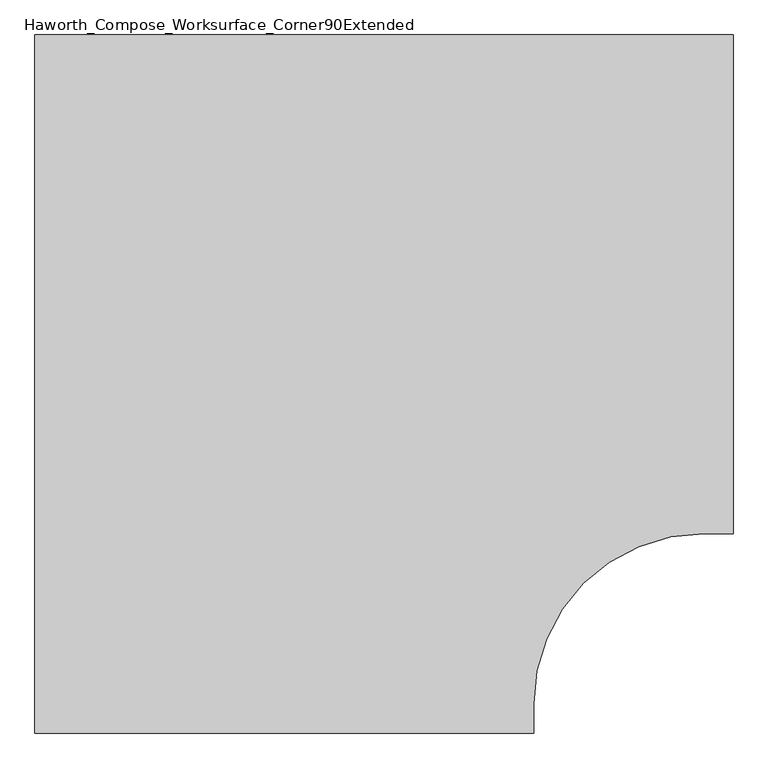
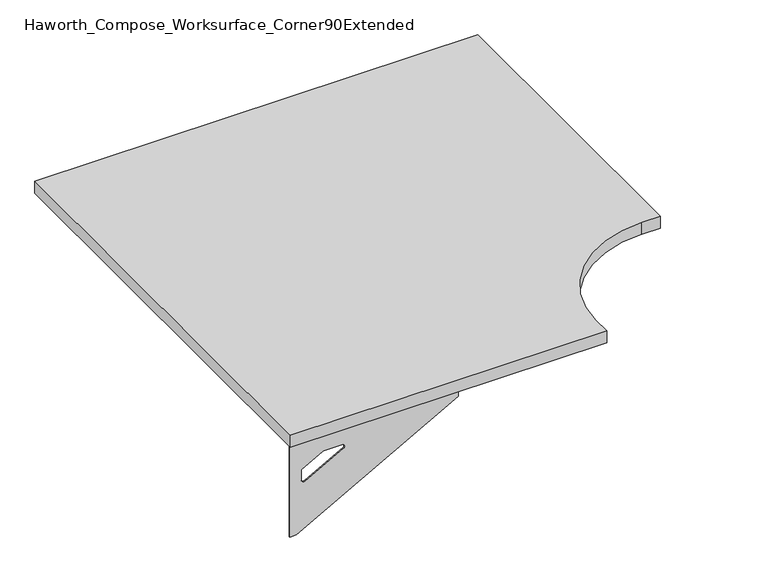
"""IFC4 building model written with IfcOpenShell, lengths in millimetres: furniture geometry, Haworth_Compose_Worksurface_Corner90Extended."""

import ifcopenshell
import ifcopenshell.guid

model = None  # the IFC model being written
_history = None  # IfcOwnerHistory: only IFC2X3 demands one
_inside = {}  # id of a spatial element -> (the spatial element, [elements in it])
_under = {}  # id of a project, library or spatial element -> (it, [spatial elements below it])
_declared = {}  # id of a project -> (the project, [libraries it declares])
_typed = {}  # id of a type object -> (the type object, [elements of that type])
_made_of = {}  # id of a material, layer set ... -> (it, [elements and type objects made of it])


def new_model(schema):
    """Start an empty IFC model of exactly this schema.

    Asked for "IFC4X3", IfcOpenShell would pick the latest addendum, in which some entities
    have other attributes; the version numbers below select the first issue.
    IFC2X3 requires an IfcOwnerHistory on every rooted entity: one is made here for all.
    """
    global model, _history
    if schema == "IFC4X3":
        model = ifcopenshell.file(schema_version=(4, 3, 0, 0))
    else:
        model = ifcopenshell.file(schema=schema)
    _inside.clear()
    _under.clear()
    _declared.clear()
    _typed.clear()
    _made_of.clear()
    _history = None
    if model.schema == "IFC2X3":
        org = make("IfcOrganization", Name="unknown")
        user = make(
            "IfcPersonAndOrganization",
            ThePerson=make("IfcPerson", FamilyName="unknown"),
            TheOrganization=org,
        )
        app = make(
            "IfcApplication",
            ApplicationDeveloper=org,
            Version="unknown",
            ApplicationFullName="unknown",
            ApplicationIdentifier="unknown",
        )
        _history = make(
            "IfcOwnerHistory",
            OwningUser=user,
            OwningApplication=app,
            ChangeAction="ADDED",
            CreationDate=0,
        )
    return model


def make(cls, **values):
    """One entity of the class cls with the attributes given. An attribute that is None is left unset."""
    return model.create_entity(
        cls, **{name: value for name, value in values.items() if value is not None}
    )


def rooted(cls, **values):
    """An entity with a GlobalId (a new one), such as an element, a storey or a relation."""
    return make(cls, GlobalId=ifcopenshell.guid.new(), OwnerHistory=_history, **values)


def si_unit(unit_type, name, prefix=None):
    """IfcSIUnit, for example si_unit("LENGTHUNIT", "METRE", prefix="MILLI")."""
    return make("IfcSIUnit", UnitType=unit_type, Prefix=prefix, Name=name)


def assignment(units):
    """IfcUnitAssignment: the units of a project."""
    return None if units is None else make("IfcUnitAssignment", Units=units)


def point(xyz):
    """IfcCartesianPoint."""
    return None if xyz is None else make("IfcCartesianPoint", Coordinates=xyz)


def direction(xyz):
    """IfcDirection."""
    return None if xyz is None else make("IfcDirection", DirectionRatios=xyz)


def frame(location, z_axis=None, x_axis=None):
    """IfcAxis2Placement3D, a coordinate frame: its origin and axes. An axis left out is left unset."""
    return make(
        "IfcAxis2Placement3D",
        Location=point(location),
        Axis=direction(z_axis),
        RefDirection=direction(x_axis),
    )


def frame_2d(location, x_axis=None):
    """IfcAxis2Placement2D, a coordinate frame in the plane: its origin and x axis."""
    return make(
        "IfcAxis2Placement2D", Location=point(location), RefDirection=direction(x_axis)
    )


def origin():
    """The frame at (0, 0, 0) with its axes left unset."""
    return frame((0.0, 0.0, 0.0))


def place(relative_to, where):
    """IfcLocalPlacement: puts the frame where relative to a parent placement (None: the world)."""
    return make(
        "IfcLocalPlacement", PlacementRelTo=relative_to, RelativePlacement=where
    )


def context(
    kind, dimensions, precision=None, world=None, true_north=None, identifier=None
):
    """IfcGeometricRepresentationContext, for example the 3D "Model" context."""
    return make(
        "IfcGeometricRepresentationContext",
        ContextIdentifier=identifier,
        ContextType=kind,
        CoordinateSpaceDimension=dimensions,
        Precision=precision,
        WorldCoordinateSystem=world,
        TrueNorth=true_north,
    )


def project(units=None, contexts=None):
    """IfcProject with its units and contexts."""
    return rooted(
        "IfcProject",
        Name="project",
        RepresentationContexts=contexts,
        UnitsInContext=assignment(units),
    )


def spatial(cls, under=None, at=None, **own):
    """A site, building, storey or space (cls), placed at a placement, below another one or the project."""
    s = rooted(cls, ObjectPlacement=at, **own)
    if under is not None:
        _under.setdefault(under.id(), (under, []))[1].append(s)
    return s


def polyline(points):
    """IfcPolyline through the points."""
    return make("IfcPolyline", Points=[point(p) for p in points])


def circle_curve(where, radius):
    """IfcCircle in the frame where."""
    return make("IfcCircle", Position=where, Radius=radius)


def trimmed(basis, trim1, trim2, sense, master):
    """IfcTrimmedCurve: the piece of a basis curve between two trims."""
    return make(
        "IfcTrimmedCurve",
        BasisCurve=basis,
        Trim1=trim1,
        Trim2=trim2,
        SenseAgreement=sense,
        MasterRepresentation=master,
    )


def segment(curve, same_sense, transition):
    """IfcCompositeCurveSegment."""
    return make(
        "IfcCompositeCurveSegment",
        Transition=transition,
        SameSense=same_sense,
        ParentCurve=curve,
    )


def composite_curve(segments, self_intersect=None):
    """IfcCompositeCurve: segments joined end to end."""
    return make("IfcCompositeCurve", Segments=segments, SelfIntersect=self_intersect)


def outline(outer, holes=None, kind="AREA"):
    """IfcArbitraryClosedProfileDef: a profile drawn as a closed curve; with holes, ...WithVoids."""
    if holes is None:
        return make("IfcArbitraryClosedProfileDef", ProfileType=kind, OuterCurve=outer)
    return make(
        "IfcArbitraryProfileDefWithVoids",
        ProfileType=kind,
        OuterCurve=outer,
        InnerCurves=holes,
    )


def extrude(swept, where, along, depth):
    """IfcExtrudedAreaSolid: the profile swept, set in the frame where, extruded along a direction by depth."""
    return make(
        "IfcExtrudedAreaSolid",
        SweptArea=swept,
        Position=where,
        ExtrudedDirection=direction(along),
        Depth=depth,
    )


def shape(context_of_items, identifier, shape_type, items):
    """IfcShapeRepresentation: the items that make up one representation, for example the "Body"."""
    return make(
        "IfcShapeRepresentation",
        ContextOfItems=context_of_items,
        RepresentationIdentifier=identifier,
        RepresentationType=shape_type,
        Items=items,
    )


def source(mapping_origin, context_of_items, identifier, shape_type, items):
    """IfcRepresentationMap: a shape defined once, which mapped items show again and again."""
    return make(
        "IfcRepresentationMap",
        MappingOrigin=mapping_origin,
        MappedRepresentation=shape(context_of_items, identifier, shape_type, items),
    )


def transform(
    local_origin,
    x_axis=None,
    y_axis=None,
    z_axis=None,
    scale=None,
    scale2=None,
    scale3=None,
    uniform=True,
):
    """IfcCartesianTransformationOperator3D, or its non-uniform kind. x_axis, y_axis, z_axis: its Axis1, 2, 3."""
    if uniform:
        return make(
            "IfcCartesianTransformationOperator3D",
            Axis1=direction(x_axis),
            Axis2=direction(y_axis),
            LocalOrigin=point(local_origin),
            Scale=scale,
            Axis3=direction(z_axis),
        )
    return make(
        "IfcCartesianTransformationOperator3DnonUniform",
        Axis1=direction(x_axis),
        Axis2=direction(y_axis),
        LocalOrigin=point(local_origin),
        Scale=scale,
        Axis3=direction(z_axis),
        Scale2=scale2,
        Scale3=scale3,
    )


def mapped(mapping_source, mapping_target):
    """IfcMappedItem: shows the shape of a source again, moved by a transform."""
    return make(
        "IfcMappedItem", MappingSource=mapping_source, MappingTarget=mapping_target
    )


def made_of(thing, what):
    """Note that an element or type object is made of a material, layer set ...; save() writes the relation."""
    if what is not None:
        _made_of.setdefault(what.id(), (what, []))[1].append(thing)
    return thing


def element(
    cls,
    number,
    at=None,
    inside=None,
    cuts=None,
    type_object=None,
    material=None,
    context=None,
    identifier="Body",
    shape_type=None,
    held_by="IfcProductDefinitionShape",
    body=None,
    shapes=None,
    **own,
):
    """One element of the class cls, such as IfcWall. Its Tag is "e" and its number.

    at: its placement. inside: the storey or other place that contains it. cuts: it is an
    opening in that element (IfcRelVoidsElement). A single representation is given by context,
    identifier, shape_type and body (its items); several are given by shapes. held_by: the class
    of the entity that holds the representations. save() writes the other relations.
    """
    e = rooted(cls, Tag="e%d" % number, ObjectPlacement=at, **own)
    if body is not None:
        shapes = [shape(context, identifier, shape_type, body)]
    if shapes is not None:
        e.Representation = make(held_by, Representations=shapes)
    if inside is not None:
        _inside.setdefault(inside.id(), (inside, []))[1].append(e)
    if cuts is not None:
        rooted(
            "IfcRelVoidsElement", RelatingBuildingElement=cuts, RelatedOpeningElement=e
        )
    if type_object is not None:
        _typed.setdefault(type_object.id(), (type_object, []))[1].append(e)
    return made_of(e, material)


def aggregate(whole, parts):
    """IfcRelAggregates: a whole, such as a stair, and the parts it consists of."""
    return rooted("IfcRelAggregates", RelatingObject=whole, RelatedObjects=parts)


def save(model, path):
    """Write the relations noted so far, then the file.

    IfcRelAggregates (storeys below a building ...), IfcRelContainedInSpatialStructure (elements
    in a storey), IfcRelDefinesByType, IfcRelAssociatesMaterial and IfcRelDeclares: one each for
    every whole, place, type object, material and project.
    """
    for whole, parts in _under.values():
        aggregate(whole, parts)
    for where, things in _inside.values():
        rooted(
            "IfcRelContainedInSpatialStructure",
            RelatedElements=things,
            RelatingStructure=where,
        )
    for kind, things in _typed.values():
        rooted("IfcRelDefinesByType", RelatedObjects=things, RelatingType=kind)
    for what, things in _made_of.values():
        rooted("IfcRelAssociatesMaterial", RelatedObjects=things, RelatingMaterial=what)
    for by, libraries in _declared.values():
        rooted("IfcRelDeclares", RelatingContext=by, RelatedDefinitions=libraries)
    model.write(path)


def plane_surface(at):
    """IfcPlane: the flat surface through the origin of the frame at, square to its z axis."""
    return make("IfcPlane", Position=at)


def revolved_surface(curve, axis_point, axis_direction):
    """IfcSurfaceOfRevolution: the curve turned about the line through axis_point along axis_direction."""
    return make(
        "IfcSurfaceOfRevolution",
        SweptCurve=make("IfcArbitraryOpenProfileDef", ProfileType="CURVE", Curve=curve),
        AxisPosition=make("IfcAxis1Placement", Location=point(axis_point), Axis=direction(axis_direction)),
    )


def advanced_brep(points, edges, surfaces, faces):
    """IfcAdvancedBrep: a solid bounded by faces that lie on surfaces and meet in shared edges.

    An edge is (start, end): straight between two places in points (the first is 0);
    or (start, end, curve); or (start, end, curve, False) where it runs against its curve.
    A face is (place in surfaces, loops), or (place, loops, False) where it looks against
    its surface's normal. A loop lists edges by number (the first is 1), with a minus sign
    where the edge is run from its end to its start. The first loop is the outer one.
    """
    corners = [point(p) for p in points]
    vertices = [make("IfcVertexPoint", VertexGeometry=c) for c in corners]
    made = []
    for start, end, *more in edges:
        made.append(
            make(
                "IfcEdgeCurve",
                EdgeStart=vertices[start],
                EdgeEnd=vertices[end],
                EdgeGeometry=more[0] if more else make("IfcPolyline", Points=[corners[start], corners[end]]),
                SameSense=more[1] if len(more) > 1 else True,
            )
        )
    hull = []
    for where, loops, *sense in faces:
        bounds = []
        for j, loop in enumerate(loops):
            ring = [make("IfcOrientedEdge", EdgeElement=made[abs(k) - 1], Orientation=k > 0) for k in loop]
            bounds.append(
                make(
                    "IfcFaceOuterBound" if j == 0 else "IfcFaceBound",
                    Bound=make("IfcEdgeLoop", EdgeList=ring),
                    Orientation=True,
                )
            )
        hull.append(make("IfcAdvancedFace", Bounds=bounds, FaceSurface=surfaces[where], SameSense=sense[0] if sense else True))
    return make("IfcAdvancedBrep", Outer=make("IfcClosedShell", CfsFaces=hull))


def haworth_compose_worksurface_corner90extended_6606c89a(model_context):
    return source(origin(), model_context, "Body", "SolidModel", [
        advanced_brep(
        [(680.24375, 228.6, 475.45625), (680.24375, 212.725, 475.45625), (680.24375, -177.8, 691.7192568), (680.24375, -177.8, 704.05625), (680.24375, 212.725, 704.05625), (680.24375, 228.6, 704.05625), (680.24375, 145.290072, 665.95625), (680.24375, 101.6355284, 665.95625), (680.24375, 98.9564235, 656.3705539), (680.24375, 190.6776173, 605.5776439), (680.24375, 200.025, 611.1756969), (680.24375, 200.025, 634.6860246), (680.24375, 198.2730055, 637.5242776), (680.24375, 148.3663437, 665.1613425), (682.625, 228.6, 475.45625), (682.625, 228.6, 704.05625), (682.625, 212.725, 704.05625), (682.625, 212.725, 706.4375), (682.625, -177.8, 706.4375), (682.625, -177.8, 691.7192568), (682.625, 212.725, 475.45625), (682.625, 145.290072, 665.95625), (682.625, 148.3663437, 665.1613425), (682.625, 198.2730055, 637.5242776), (682.625, 200.025, 634.6860246), (682.625, 200.025, 611.1756969), (682.625, 190.6776173, 605.5776439), (682.625, 98.9564235, 656.3705539), (682.625, 101.6355284, 665.95625), (641.35, -177.8, 706.4375), (641.35, -177.8, 704.05625), (641.35, 212.725, 704.05625), (641.35, 212.725, 706.4375)],
        [
            (0, 1),
            (1, 2),
            (2, 3),
            (3, 4),
            (4, 5),
            (5, 0),
            (6, 7),
            (7, 8, circle_curve(frame((680.24375, 101.6355284, 660.7890106), z_axis=(1.0, 0.0, 0.0), x_axis=(0.0, -1.0, 0.0)), 5.1672394)),
            (8, 9),
            (9, 10, circle_curve(frame((680.24375, 193.675, 611.1756969), z_axis=(1.0, 0.0, 0.0), x_axis=(0.0, -1.0, 0.0)), 6.35)),
            (10, 11),
            (11, 12, circle_curve(frame((680.24375, 196.85, 634.6860246), z_axis=(1.0, 0.0, 0.0), x_axis=(0.0, -1.0, 0.0)), 3.175)),
            (12, 13),
            (13, 6, circle_curve(frame((680.24375, 145.290072, 659.60625), z_axis=(1.0, 0.0, 0.0), x_axis=(0.0, -1.0, 0.0)), 6.35)),
            (14, 15),
            (15, 16),
            (16, 17),
            (17, 18),
            (18, 19),
            (19, 20),
            (20, 14),
            (21, 22, circle_curve(frame((682.625, 145.290072, 659.60625), z_axis=(-1.0, 0.0, 0.0), x_axis=(0.0, -1.0, 0.0)), 6.35)),
            (22, 23),
            (23, 24, circle_curve(frame((682.625, 196.85, 634.6860246), z_axis=(-1.0, 0.0, 0.0), x_axis=(0.0, -1.0, 0.0)), 3.175)),
            (24, 25),
            (25, 26, circle_curve(frame((682.625, 193.675, 611.1756969), z_axis=(-1.0, 0.0, 0.0), x_axis=(0.0, -1.0, 0.0)), 6.35)),
            (26, 27),
            (27, 28, circle_curve(frame((682.625, 101.6355284, 660.7890106), z_axis=(-1.0, 0.0, 0.0), x_axis=(0.0, -1.0, 0.0)), 5.1672394)),
            (28, 21),
            (4, 16),
            (15, 5),
            (14, 0),
            (20, 1),
            (19, 2),
            (18, 29),
            (29, 30),
            (30, 3),
            (6, 21),
            (28, 7),
            (9, 26),
            (25, 10),
            (24, 11),
            (23, 12),
            (27, 8),
            (31, 4),
            (30, 31),
            (32, 29),
            (17, 32),
            (31, 32),
            (22, 13),
        ],
        [
            plane_surface(frame((680.24375, 228.6, 475.45625), z_axis=(-1.0, 0.0, 0.0), x_axis=(0.0, 1.0, 0.0))),
            plane_surface(frame((682.625, 228.6, 475.45625), z_axis=(1.0, 0.0, 0.0), x_axis=(0.0, -1.0, 0.0))),
            plane_surface(frame((682.625, -177.8, 704.05625), z_axis=(0.0, 0.0, 1.0), x_axis=(-1.0, 0.0, 0.0))),
            plane_surface(frame((682.625, 228.6, 704.05625), z_axis=(0.0, 1.0, 0.0), x_axis=(-1.0, 0.0, 0.0))),
            plane_surface(frame((682.625, 228.6, 475.45625), z_axis=(0.0, 0.0, -1.0), x_axis=(-1.0, 0.0, 0.0))),
            plane_surface(frame((682.625, 212.725, 475.45625), z_axis=(0.0, -0.4844522351345575, -0.8748177135112957), x_axis=(-1.0, 0.0, 0.0))),
            plane_surface(frame((682.625, -177.8, 691.7192568), z_axis=(0.0, -1.0, 0.0), x_axis=(-1.0, 0.0, 0.0))),
            plane_surface(frame((682.625, 145.290072, 665.95625), z_axis=(0.0, 0.0, -1.0), x_axis=(-1.0, 0.0, 0.0))),
            revolved_surface(polyline([(680.24375, 187.32500000000002, 611.1756969), (682.625, 187.32500000000002, 611.1756969)]), (682.625, 193.675, 611.1756969), (-1.0, 0.0, 0.0)),
            plane_surface(frame((682.625, 200.025, 611.1756969), z_axis=(0.0, -1.0, 0.0), x_axis=(-1.0, 0.0, 0.0))),
            revolved_surface(polyline([(680.24375, 193.67499999999998, 634.6860246), (682.625, 193.67499999999998, 634.6860246)]), (682.625, 196.85, 634.6860246), (-1.0, 0.0, 0.0)),
            revolved_surface(polyline([(680.24375, 96.468289, 660.7890106), (682.625, 96.468289, 660.7890106)]), (682.625, 101.6355284, 660.7890106), (-1.0, 0.0, 0.0)),
            plane_surface(frame((682.625, 212.725, 704.05625), z_axis=(0.0, 0.0, -1.0), x_axis=(-1.0, 0.0, 0.0))),
            plane_surface(frame((682.625, 212.725, 706.4375), z_axis=(0.0, 0.0, 1.0), x_axis=(1.0, 0.0, 0.0))),
            plane_surface(frame((641.35, 212.725, 706.4375), z_axis=(0.0, 1.0, 0.0), x_axis=(0.0, 0.0, -1.0))),
            plane_surface(frame((641.35, -177.8, 706.4375), z_axis=(-1.0, 0.0, 0.0), x_axis=(0.0, 0.0, -1.0))),
            plane_surface(frame((682.625, 98.9564235, 656.3705539), z_axis=(0.0, 0.4844522351341526, 0.8748177135115199), x_axis=(-1.0, 0.0, 0.0))),
            plane_surface(frame((682.625, 198.2730055, 637.5242776), z_axis=(0.0, -0.48445223513456226, -0.874817713511293), x_axis=(-1.0, 0.0, 0.0))),
            revolved_surface(polyline([(680.24375, 138.94007200000001, 659.60625), (682.625, 138.94007200000001, 659.60625)]), (682.625, 145.290072, 659.60625), (-1.0, 0.0, 0.0)),
        ],
        [
            (0, [[1, 2, 3, 4, 5, 6], [7, 8, 9, 10, 11, 12, 13, 14]]),
            (1, [[15, 16, 17, 18, 19, 20, 21], [22, 23, 24, 25, 26, 27, 28, 29]]),
            (2, [[-5, 30, -16, 31]]),
            (3, [[-31, -15, 32, -6]]),
            (4, [[-32, -21, 33, -1]]),
            (5, [[-33, -20, 34, -2]]),
            (6, [[-34, -19, 35, 36, 37, -3]]),
            (7, [[38, -29, 39, -7]]),
            (8, [[40, -26, 41, -10]]),
            (9, [[-41, -25, 42, -11]]),
            (10, [[-42, -24, 43, -12]]),
            (11, [[-39, -28, 44, -8]]),
            (12, [[45, -4, -37, 46]]),
            (13, [[47, -35, -18, 48]]),
            (14, [[-17, -30, -45, 49, -48]]),
            (15, [[-36, -47, -49, -46]]),
            (16, [[-44, -27, -40, -9]]),
            (17, [[-43, -23, 50, -13]]),
            (18, [[-50, -22, -38, -14]]),
        ],
    ),
        advanced_brep(
        [(-381.0, -832.64375, 475.45625), (-381.0, -832.64375, 704.05625), (-365.125, -832.64375, 704.05625), (25.4, -832.64375, 704.05625), (25.4, -832.64375, 691.7192568), (-365.125, -832.64375, 475.45625), (-297.690072, -832.64375, 665.95625), (-300.7663437, -832.64375, 665.1613425), (-350.6730055, -832.64375, 637.5242776), (-352.425, -832.64375, 634.6860246), (-352.425, -832.64375, 611.1756969), (-343.0776173, -832.64375, 605.5776439), (-251.3564235, -832.64375, 656.3705539), (-254.0355284, -832.64375, 665.95625), (-381.0, -835.025, 475.45625), (-365.125, -835.025, 475.45625), (25.4, -835.025, 691.7192568), (25.4, -835.025, 706.4375), (-365.125, -835.025, 706.4375), (-365.125, -835.025, 704.05625), (-381.0, -835.025, 704.05625), (-297.690072, -835.025, 665.95625), (-254.0355284, -835.025, 665.95625), (-251.3564235, -835.025, 656.3705539), (-343.0776173, -835.025, 605.5776439), (-352.425, -835.025, 611.1756969), (-352.425, -835.025, 634.6860246), (-350.6730055, -835.025, 637.5242776), (-300.7663437, -835.025, 665.1613425), (25.4, -793.75, 704.05625), (25.4, -793.75, 706.4375), (-365.125, -793.75, 704.05625), (-365.125, -793.75, 706.4375)],
        [
            (0, 1),
            (1, 2),
            (2, 3),
            (3, 4),
            (4, 5),
            (5, 0),
            (6, 7, circle_curve(frame((-297.690072, -832.64375, 659.60625), z_axis=(0.0, -1.0, 0.0), x_axis=(1.0, 0.0, 0.0)), 6.35)),
            (7, 8),
            (8, 9, circle_curve(frame((-349.25, -832.64375, 634.6860246), z_axis=(0.0, -1.0, 0.0), x_axis=(1.0, 0.0, 0.0)), 3.175)),
            (9, 10),
            (10, 11, circle_curve(frame((-346.075, -832.64375, 611.1756969), z_axis=(0.0, -1.0, 0.0), x_axis=(1.0, 0.0, 0.0)), 6.35)),
            (11, 12),
            (12, 13, circle_curve(frame((-254.0355284, -832.64375, 660.7890106), z_axis=(0.0, -1.0, 0.0), x_axis=(1.0, 0.0, 0.0)), 5.1672394)),
            (13, 6),
            (14, 15),
            (15, 16),
            (16, 17),
            (17, 18),
            (18, 19),
            (19, 20),
            (20, 14),
            (21, 22),
            (22, 23, circle_curve(frame((-254.0355284, -835.025, 660.7890106), z_axis=(0.0, 1.0, 0.0), x_axis=(1.0, 0.0, 0.0)), 5.1672394)),
            (23, 24),
            (24, 25, circle_curve(frame((-346.075, -835.025, 611.1756969), z_axis=(0.0, 1.0, 0.0), x_axis=(1.0, 0.0, 0.0)), 6.35)),
            (25, 26),
            (26, 27, circle_curve(frame((-349.25, -835.025, 634.6860246), z_axis=(0.0, 1.0, 0.0), x_axis=(1.0, 0.0, 0.0)), 3.175)),
            (27, 28),
            (28, 21, circle_curve(frame((-297.690072, -835.025, 659.60625), z_axis=(0.0, 1.0, 0.0), x_axis=(1.0, 0.0, 0.0)), 6.35)),
            (1, 20),
            (19, 2),
            (0, 14),
            (5, 15),
            (4, 16),
            (3, 29),
            (29, 30),
            (30, 17),
            (13, 22),
            (21, 6),
            (10, 25),
            (24, 11),
            (9, 26),
            (8, 27),
            (12, 23),
            (31, 29),
            (2, 31),
            (32, 18),
            (30, 32),
            (32, 31),
            (7, 28),
        ],
        [
            plane_surface(frame((-381.0, -832.64375, 475.45625), z_axis=(0.0, 1.0, 0.0), x_axis=(-1.0, 0.0, 0.0))),
            plane_surface(frame((-381.0, -835.025, 475.45625), z_axis=(0.0, -1.0, 0.0), x_axis=(1.0, 0.0, 0.0))),
            plane_surface(frame((25.4, -835.025, 704.05625), z_axis=(0.0, 0.0, 1.0), x_axis=(0.0, 1.0, 0.0))),
            plane_surface(frame((-381.0, -835.025, 704.05625), z_axis=(-1.0, 0.0, 0.0), x_axis=(0.0, 1.0, 0.0))),
            plane_surface(frame((-381.0, -835.025, 475.45625), z_axis=(0.0, 0.0, -1.0), x_axis=(0.0, 1.0, 0.0))),
            plane_surface(frame((-365.125, -835.025, 475.45625), z_axis=(0.4844522351345575, 0.0, -0.8748177135112957), x_axis=(0.0, 1.0, 0.0))),
            plane_surface(frame((25.4, -835.025, 691.7192568), z_axis=(1.0, 0.0, 0.0), x_axis=(0.0, 1.0, 0.0))),
            plane_surface(frame((-297.690072, -835.025, 665.95625), z_axis=(0.0, 0.0, -1.0), x_axis=(0.0, 1.0, 0.0))),
            revolved_surface(polyline([(-339.72499999999997, -832.64375, 611.1756969), (-339.72499999999997, -835.025, 611.1756969)]), (-346.075, -835.025, 611.1756969), (0.0, 1.0, 0.0)),
            plane_surface(frame((-352.425, -835.025, 611.1756969), z_axis=(1.0, 0.0, 0.0), x_axis=(0.0, 1.0, 0.0))),
            revolved_surface(polyline([(-346.075, -832.64375, 634.6860246), (-346.075, -835.025, 634.6860246)]), (-349.25, -835.025, 634.6860246), (0.0, 1.0, 0.0)),
            revolved_surface(polyline([(-248.868289, -832.64375, 660.7890106), (-248.868289, -835.025, 660.7890106)]), (-254.0355284, -835.025, 660.7890106), (0.0, 1.0, 0.0)),
            plane_surface(frame((-365.125, -835.025, 704.05625), z_axis=(0.0, 0.0, -1.0), x_axis=(0.0, 1.0, 0.0))),
            plane_surface(frame((-365.125, -835.025, 706.4375), z_axis=(0.0, 0.0, 1.0), x_axis=(0.0, -1.0, 0.0))),
            plane_surface(frame((-365.125, -793.75, 706.4375), z_axis=(-1.0, 0.0, 0.0), x_axis=(0.0, 0.0, -1.0))),
            plane_surface(frame((25.4, -793.75, 706.4375), z_axis=(0.0, 1.0, 0.0), x_axis=(0.0, 0.0, -1.0))),
            plane_surface(frame((-251.3564235, -835.025, 656.3705539), z_axis=(-0.4844522351341526, 0.0, 0.8748177135115199), x_axis=(0.0, 1.0, 0.0))),
            plane_surface(frame((-350.6730055, -835.025, 637.5242776), z_axis=(0.48445223513456226, 0.0, -0.874817713511293), x_axis=(0.0, 1.0, 0.0))),
            revolved_surface(polyline([(-291.34007199999996, -832.64375, 659.60625), (-291.34007199999996, -835.025, 659.60625)]), (-297.690072, -835.025, 659.60625), (0.0, 1.0, 0.0)),
        ],
        [
            (0, [[1, 2, 3, 4, 5, 6], [7, 8, 9, 10, 11, 12, 13, 14]]),
            (1, [[15, 16, 17, 18, 19, 20, 21], [22, 23, 24, 25, 26, 27, 28, 29]]),
            (2, [[30, -20, 31, -2]]),
            (3, [[-1, 32, -21, -30]]),
            (4, [[-6, 33, -15, -32]]),
            (5, [[-5, 34, -16, -33]]),
            (6, [[-4, 35, 36, 37, -17, -34]]),
            (7, [[-14, 38, -22, 39]]),
            (8, [[-11, 40, -25, 41]]),
            (9, [[-10, 42, -26, -40]]),
            (10, [[-9, 43, -27, -42]]),
            (11, [[-13, 44, -23, -38]]),
            (12, [[45, -35, -3, 46]]),
            (13, [[47, -18, -37, 48]]),
            (14, [[-47, 49, -46, -31, -19]]),
            (15, [[-45, -49, -48, -36]]),
            (16, [[-12, -41, -24, -44]]),
            (17, [[-8, 50, -28, -43]]),
            (18, [[-7, -39, -29, -50]]),
        ],
    ),
        extrude(outline(composite_curve([segment(polyline([(-381.0, 228.6), (685.8, 228.6), (685.8, -533.4), (641.35, -533.4)]), True, "CONTINUOUS"), segment(trimmed(circle_curve(frame_2d((641.35, -793.75)), 260.35), [point((641.35, -533.4))], [point((381.0, -793.75))], True, "CARTESIAN"), True, "CONTINUOUS"), segment(polyline([(381.0, -793.75), (381.0, -838.2), (-381.0, -838.2), (-381.0, 228.6)]), True, "CONTINUOUS")], self_intersect=False)), frame((0.0, 0.0, 706.4375), z_axis=(0.0, 0.0, 1.0), x_axis=(1.0, 0.0, 0.0)), (0.0, 0.0, 1.0), 30.1625),
    ])


if __name__ == "__main__":
    model = new_model("IFC4")
    model_context = context("Model", 3, world=origin())
    ifc_project = project(units=[si_unit("LENGTHUNIT", "METRE", prefix="MILLI")], contexts=[model_context])
    site = spatial("IfcSite", under=ifc_project)
    building = spatial("IfcBuilding", under=site)
    placement = place(None, origin())
    haworth_compose_worksurface_corner90extended_shape = haworth_compose_worksurface_corner90extended_6606c89a(model_context)
    element("IfcFurniture", 1, ObjectType="Haworth_Compose_Worksurface_Corner90Extended", at=placement, inside=building, context=model_context, shape_type="MappedRepresentation", body=[
        mapped(haworth_compose_worksurface_corner90extended_shape, transform((0.0, 0.0, 0.0), x_axis=(1.0, 0.0, 0.0), y_axis=(0.0, 1.0, 0.0), z_axis=(0.0, 0.0, 1.0))),
    ])
    save(model, "model.ifc")
